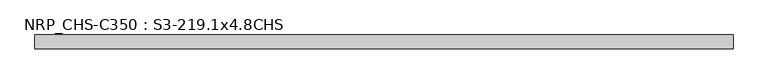
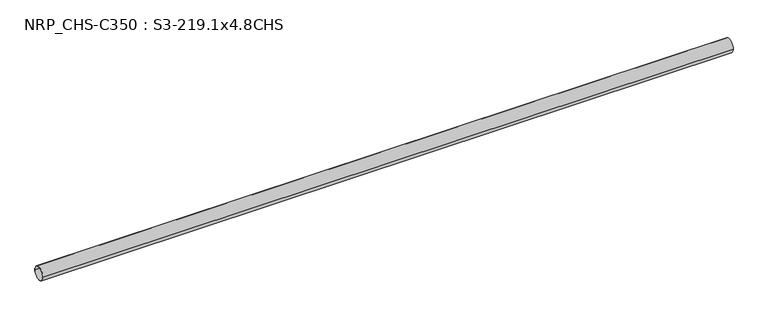
"""IFC4 building model written with IfcOpenShell, lengths in millimetres: beam geometry, NRP_CHS-C350 : S3-219.1x4.8CHS."""

from ifc_helpers import new_model, si_unit, point, frame, origin, origin_2d, place, context, project, spatial, circle_curve, trimmed, segment, composite_curve, outline, extrude, source, transform, mapped, element, save


def nrp_chs_c350_s3_219_1x4_8chs_b2e1c033(model_context):
    return source(origin(), model_context, "Body", "SweptSolid", [
        extrude(outline(composite_curve([segment(trimmed(circle_curve(origin_2d(), 109.55), [point((-109.55, 0.0))], [point((109.55, 0.0))], False, "CARTESIAN"), True, "CONTINUOUS"), segment(trimmed(circle_curve(origin_2d(), 109.55), [point((109.55, 0.0))], [point((-109.55, 0.0))], False, "CARTESIAN"), True, "CONTINUOUS")], self_intersect=False), holes=[composite_curve([segment(trimmed(circle_curve(origin_2d(), 104.75), [point((104.75, 0.0))], [point((-104.75, 0.0))], True, "CARTESIAN"), True, "CONTINUOUS"), segment(trimmed(circle_curve(origin_2d(), 104.75), [point((-104.75, 0.0))], [point((104.75, 0.0))], True, "CARTESIAN"), True, "CONTINUOUS")], self_intersect=False)]), frame((-5548.3, 0.0, 0.0), z_axis=(1.0, 0.0, 0.0), x_axis=(0.0, 1.0, 0.0)), (0.0, 0.0, 1.0), 11096.6),
    ])


if __name__ == "__main__":
    model = new_model("IFC4")
    model_context = context("Model", 3, world=origin())
    ifc_project = project(units=[si_unit("LENGTHUNIT", "METRE", prefix="MILLI")], contexts=[model_context])
    site = spatial("IfcSite", under=ifc_project)
    building = spatial("IfcBuilding", under=site)
    placement = place(None, origin())
    nrp_chs_c350_s3_219_1x4_8chs_shape = nrp_chs_c350_s3_219_1x4_8chs_b2e1c033(model_context)
    element("IfcBeam", 1, ObjectType="NRP_CHS-C350 : S3-219.1x4.8CHS", at=placement, inside=building, context=model_context, shape_type="MappedRepresentation", body=[
        mapped(nrp_chs_c350_s3_219_1x4_8chs_shape, transform((0.0, 0.0, 0.0), x_axis=(1.0, 0.0, 0.0), y_axis=(0.0, 1.0, 0.0), z_axis=(0.0, 0.0, 1.0))),
    ])
    save(model, "model.ifc")
